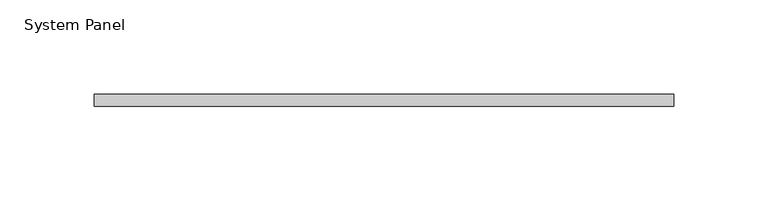
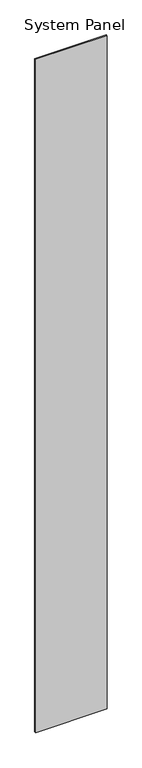
"""IFC4 building model written with IfcOpenShell, lengths in millimetres: plate geometry, System Panel."""

from ifc_helpers import new_model, si_unit, origin, origin_with_axes, place, context, project, spatial, polyline, outline, extrude, source, transform, mapped, element, save


def system_panel_f7b39c44(model_context):
    return source(origin(), model_context, "Body", "SweptSolid", [
        extrude(outline(polyline([(153.410912, 0.0), (-153.410912, 0.0), (-153.410912, 6.35), (153.410912, 6.35), (153.410912, 0.0)])), origin_with_axes(), (0.0, 0.0, 1.0), 3048.0),
    ])


if __name__ == "__main__":
    model = new_model("IFC4")
    model_context = context("Model", 3, world=origin())
    ifc_project = project(units=[si_unit("LENGTHUNIT", "METRE", prefix="MILLI")], contexts=[model_context])
    site = spatial("IfcSite", under=ifc_project)
    building = spatial("IfcBuilding", under=site)
    placement = place(None, origin())
    system_panel_shape = system_panel_f7b39c44(model_context)
    element("IfcPlate", 1, ObjectType="System Panel", at=placement, inside=building, context=model_context, shape_type="MappedRepresentation", body=[
        mapped(system_panel_shape, transform((0.0, 0.0, 0.0), x_axis=(1.0, 0.0, 0.0), y_axis=(0.0, 1.0, 0.0), z_axis=(0.0, 0.0, 1.0))),
    ])
    save(model, "model.ifc")
